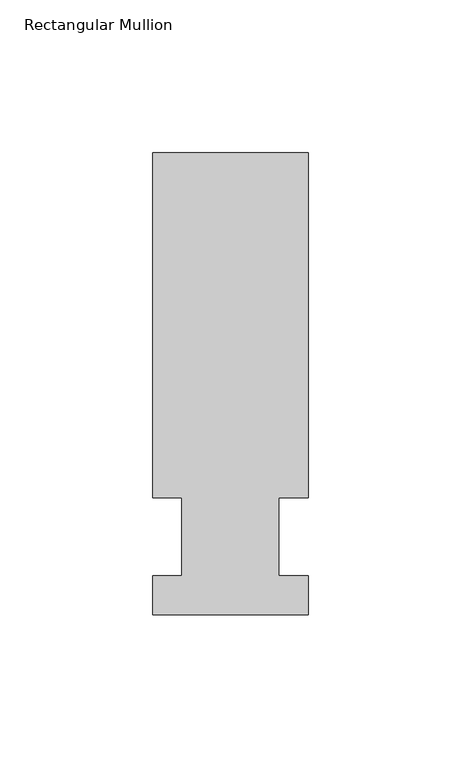
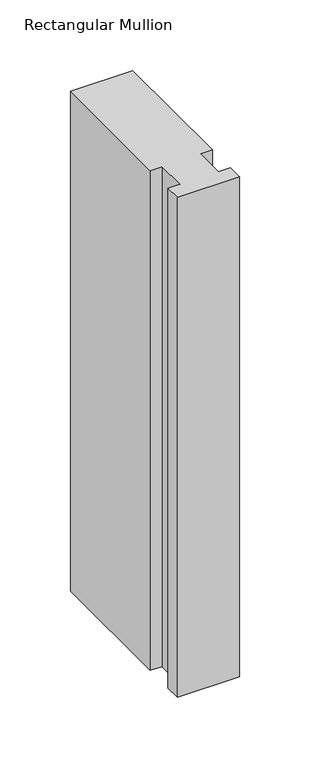
"""IFC4 building model written with IfcOpenShell, lengths in millimetres: member geometry, Rectangular Mullion."""

import ifcopenshell
import ifcopenshell.guid

model = None  # the IFC model being written
_history = None  # IfcOwnerHistory: only IFC2X3 demands one
_inside = {}  # id of a spatial element -> (the spatial element, [elements in it])
_under = {}  # id of a project, library or spatial element -> (it, [spatial elements below it])
_declared = {}  # id of a project -> (the project, [libraries it declares])
_typed = {}  # id of a type object -> (the type object, [elements of that type])
_made_of = {}  # id of a material, layer set ... -> (it, [elements and type objects made of it])


def new_model(schema):
    """Start an empty IFC model of exactly this schema.

    Asked for "IFC4X3", IfcOpenShell would pick the latest addendum, in which some entities
    have other attributes; the version numbers below select the first issue.
    IFC2X3 requires an IfcOwnerHistory on every rooted entity: one is made here for all.
    """
    global model, _history
    if schema == "IFC4X3":
        model = ifcopenshell.file(schema_version=(4, 3, 0, 0))
    else:
        model = ifcopenshell.file(schema=schema)
    _inside.clear()
    _under.clear()
    _declared.clear()
    _typed.clear()
    _made_of.clear()
    _history = None
    if model.schema == "IFC2X3":
        org = make("IfcOrganization", Name="unknown")
        user = make(
            "IfcPersonAndOrganization",
            ThePerson=make("IfcPerson", FamilyName="unknown"),
            TheOrganization=org,
        )
        app = make(
            "IfcApplication",
            ApplicationDeveloper=org,
            Version="unknown",
            ApplicationFullName="unknown",
            ApplicationIdentifier="unknown",
        )
        _history = make(
            "IfcOwnerHistory",
            OwningUser=user,
            OwningApplication=app,
            ChangeAction="ADDED",
            CreationDate=0,
        )
    return model


def make(cls, **values):
    """One entity of the class cls with the attributes given. An attribute that is None is left unset."""
    return model.create_entity(
        cls, **{name: value for name, value in values.items() if value is not None}
    )


def rooted(cls, **values):
    """An entity with a GlobalId (a new one), such as an element, a storey or a relation."""
    return make(cls, GlobalId=ifcopenshell.guid.new(), OwnerHistory=_history, **values)


def si_unit(unit_type, name, prefix=None):
    """IfcSIUnit, for example si_unit("LENGTHUNIT", "METRE", prefix="MILLI")."""
    return make("IfcSIUnit", UnitType=unit_type, Prefix=prefix, Name=name)


def assignment(units):
    """IfcUnitAssignment: the units of a project."""
    return None if units is None else make("IfcUnitAssignment", Units=units)


def point(xyz):
    """IfcCartesianPoint."""
    return None if xyz is None else make("IfcCartesianPoint", Coordinates=xyz)


def direction(xyz):
    """IfcDirection."""
    return None if xyz is None else make("IfcDirection", DirectionRatios=xyz)


def frame(location, z_axis=None, x_axis=None):
    """IfcAxis2Placement3D, a coordinate frame: its origin and axes. An axis left out is left unset."""
    return make(
        "IfcAxis2Placement3D",
        Location=point(location),
        Axis=direction(z_axis),
        RefDirection=direction(x_axis),
    )


def origin():
    """The frame at (0, 0, 0) with its axes left unset."""
    return frame((0.0, 0.0, 0.0))


def place(relative_to, where):
    """IfcLocalPlacement: puts the frame where relative to a parent placement (None: the world)."""
    return make(
        "IfcLocalPlacement", PlacementRelTo=relative_to, RelativePlacement=where
    )


def context(
    kind, dimensions, precision=None, world=None, true_north=None, identifier=None
):
    """IfcGeometricRepresentationContext, for example the 3D "Model" context."""
    return make(
        "IfcGeometricRepresentationContext",
        ContextIdentifier=identifier,
        ContextType=kind,
        CoordinateSpaceDimension=dimensions,
        Precision=precision,
        WorldCoordinateSystem=world,
        TrueNorth=true_north,
    )


def project(units=None, contexts=None):
    """IfcProject with its units and contexts."""
    return rooted(
        "IfcProject",
        Name="project",
        RepresentationContexts=contexts,
        UnitsInContext=assignment(units),
    )


def spatial(cls, under=None, at=None, **own):
    """A site, building, storey or space (cls), placed at a placement, below another one or the project."""
    s = rooted(cls, ObjectPlacement=at, **own)
    if under is not None:
        _under.setdefault(under.id(), (under, []))[1].append(s)
    return s


def polyline(points):
    """IfcPolyline through the points."""
    return make("IfcPolyline", Points=[point(p) for p in points])


def outline(outer, holes=None, kind="AREA"):
    """IfcArbitraryClosedProfileDef: a profile drawn as a closed curve; with holes, ...WithVoids."""
    if holes is None:
        return make("IfcArbitraryClosedProfileDef", ProfileType=kind, OuterCurve=outer)
    return make(
        "IfcArbitraryProfileDefWithVoids",
        ProfileType=kind,
        OuterCurve=outer,
        InnerCurves=holes,
    )


def extrude(swept, where, along, depth):
    """IfcExtrudedAreaSolid: the profile swept, set in the frame where, extruded along a direction by depth."""
    return make(
        "IfcExtrudedAreaSolid",
        SweptArea=swept,
        Position=where,
        ExtrudedDirection=direction(along),
        Depth=depth,
    )


def shape(context_of_items, identifier, shape_type, items):
    """IfcShapeRepresentation: the items that make up one representation, for example the "Body"."""
    return make(
        "IfcShapeRepresentation",
        ContextOfItems=context_of_items,
        RepresentationIdentifier=identifier,
        RepresentationType=shape_type,
        Items=items,
    )


def source(mapping_origin, context_of_items, identifier, shape_type, items):
    """IfcRepresentationMap: a shape defined once, which mapped items show again and again."""
    return make(
        "IfcRepresentationMap",
        MappingOrigin=mapping_origin,
        MappedRepresentation=shape(context_of_items, identifier, shape_type, items),
    )


def transform(
    local_origin,
    x_axis=None,
    y_axis=None,
    z_axis=None,
    scale=None,
    scale2=None,
    scale3=None,
    uniform=True,
):
    """IfcCartesianTransformationOperator3D, or its non-uniform kind. x_axis, y_axis, z_axis: its Axis1, 2, 3."""
    if uniform:
        return make(
            "IfcCartesianTransformationOperator3D",
            Axis1=direction(x_axis),
            Axis2=direction(y_axis),
            LocalOrigin=point(local_origin),
            Scale=scale,
            Axis3=direction(z_axis),
        )
    return make(
        "IfcCartesianTransformationOperator3DnonUniform",
        Axis1=direction(x_axis),
        Axis2=direction(y_axis),
        LocalOrigin=point(local_origin),
        Scale=scale,
        Axis3=direction(z_axis),
        Scale2=scale2,
        Scale3=scale3,
    )


def mapped(mapping_source, mapping_target):
    """IfcMappedItem: shows the shape of a source again, moved by a transform."""
    return make(
        "IfcMappedItem", MappingSource=mapping_source, MappingTarget=mapping_target
    )


def made_of(thing, what):
    """Note that an element or type object is made of a material, layer set ...; save() writes the relation."""
    if what is not None:
        _made_of.setdefault(what.id(), (what, []))[1].append(thing)
    return thing


def element(
    cls,
    number,
    at=None,
    inside=None,
    cuts=None,
    type_object=None,
    material=None,
    context=None,
    identifier="Body",
    shape_type=None,
    held_by="IfcProductDefinitionShape",
    body=None,
    shapes=None,
    **own,
):
    """One element of the class cls, such as IfcWall. Its Tag is "e" and its number.

    at: its placement. inside: the storey or other place that contains it. cuts: it is an
    opening in that element (IfcRelVoidsElement). A single representation is given by context,
    identifier, shape_type and body (its items); several are given by shapes. held_by: the class
    of the entity that holds the representations. save() writes the other relations.
    """
    e = rooted(cls, Tag="e%d" % number, ObjectPlacement=at, **own)
    if body is not None:
        shapes = [shape(context, identifier, shape_type, body)]
    if shapes is not None:
        e.Representation = make(held_by, Representations=shapes)
    if inside is not None:
        _inside.setdefault(inside.id(), (inside, []))[1].append(e)
    if cuts is not None:
        rooted(
            "IfcRelVoidsElement", RelatingBuildingElement=cuts, RelatedOpeningElement=e
        )
    if type_object is not None:
        _typed.setdefault(type_object.id(), (type_object, []))[1].append(e)
    return made_of(e, material)


def aggregate(whole, parts):
    """IfcRelAggregates: a whole, such as a stair, and the parts it consists of."""
    return rooted("IfcRelAggregates", RelatingObject=whole, RelatedObjects=parts)


def save(model, path):
    """Write the relations noted so far, then the file.

    IfcRelAggregates (storeys below a building ...), IfcRelContainedInSpatialStructure (elements
    in a storey), IfcRelDefinesByType, IfcRelAssociatesMaterial and IfcRelDeclares: one each for
    every whole, place, type object, material and project.
    """
    for whole, parts in _under.values():
        aggregate(whole, parts)
    for where, things in _inside.values():
        rooted(
            "IfcRelContainedInSpatialStructure",
            RelatedElements=things,
            RelatingStructure=where,
        )
    for kind, things in _typed.values():
        rooted("IfcRelDefinesByType", RelatedObjects=things, RelatingType=kind)
    for what, things in _made_of.values():
        rooted("IfcRelAssociatesMaterial", RelatedObjects=things, RelatingMaterial=what)
    for by, libraries in _declared.values():
        rooted("IfcRelDeclares", RelatingContext=by, RelatedDefinitions=libraries)
    model.write(path)


def rectangular_mullion_80c722cd(model_context):
    return source(origin(), model_context, "Body", "SweptSolid", [
        extrude(outline(polyline([(-25.4, -25.58415), (-25.4, -12.7), (-15.875, -12.7), (-15.875, 12.7), (-25.4, 12.7), (-25.4, 125.59665), (25.4, 125.59665), (25.4, 12.7), (15.875, 12.7), (15.875, -12.7), (25.4, -12.7), (25.4, -25.58415), (-25.4, -25.58415)])), frame((0.0, 0.0, -431.8), z_axis=(0.0, 0.0, 1.0), x_axis=(1.0, 0.0, 0.0)), (0.0, 0.0, 1.0), 431.8),
    ])


if __name__ == "__main__":
    model = new_model("IFC4")
    model_context = context("Model", 3, world=origin())
    ifc_project = project(units=[si_unit("LENGTHUNIT", "METRE", prefix="MILLI")], contexts=[model_context])
    site = spatial("IfcSite", under=ifc_project)
    building = spatial("IfcBuilding", under=site)
    placement = place(None, origin())
    rectangular_mullion_shape = rectangular_mullion_80c722cd(model_context)
    element("IfcMember", 1, ObjectType="Rectangular Mullion", at=placement, inside=building, context=model_context, shape_type="MappedRepresentation", body=[
        mapped(rectangular_mullion_shape, transform((0.0, 0.0, 0.0), x_axis=(1.0, 0.0, 0.0), y_axis=(0.0, 1.0, 0.0), z_axis=(0.0, 0.0, 1.0))),
    ])
    save(model, "model.ifc")
